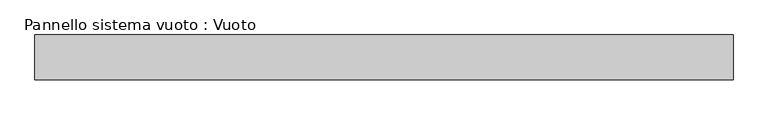
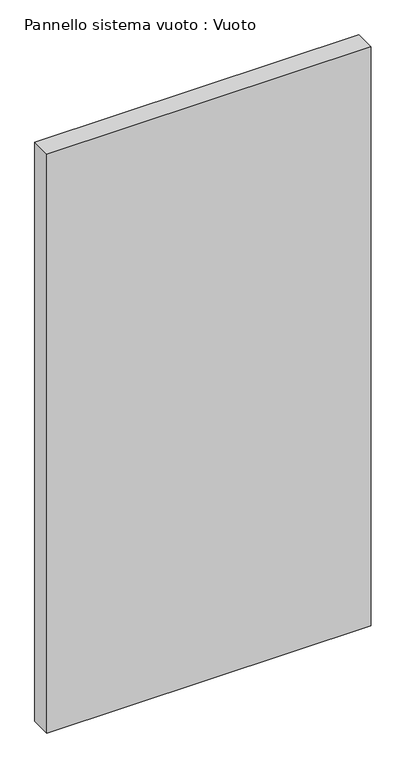
"""IFC4 building model written with IfcOpenShell, lengths in millimetres: plate geometry, Pannello sistema vuoto : Vuoto."""

from ifc_helpers import new_model, si_unit, origin, origin_with_axes, place, context, project, spatial, polyline, outline, extrude, source, transform, mapped, element, save


def pannello_sistema_vuoto_vuoto_03350b21(model_context):
    return source(origin(), model_context, "Body", "SweptSolid", [
        extrude(outline(polyline([(780.0, 50.0), (-780.0, 50.0), (-780.0, 150.0), (780.0, 150.0), (780.0, 50.0)])), origin_with_axes(), (0.0, 0.0, 1.0), 2943.6046213),
    ])


if __name__ == "__main__":
    model = new_model("IFC4")
    model_context = context("Model", 3, world=origin())
    ifc_project = project(units=[si_unit("LENGTHUNIT", "METRE", prefix="MILLI")], contexts=[model_context])
    site = spatial("IfcSite", under=ifc_project)
    building = spatial("IfcBuilding", under=site)
    placement = place(None, origin())
    pannello_sistema_vuoto_vuoto_shape = pannello_sistema_vuoto_vuoto_03350b21(model_context)
    element("IfcPlate", 1, ObjectType="Pannello sistema vuoto : Vuoto", at=placement, inside=building, context=model_context, shape_type="MappedRepresentation", body=[
        mapped(pannello_sistema_vuoto_vuoto_shape, transform((0.0, 0.0, 0.0), x_axis=(1.0, 0.0, 0.0), y_axis=(0.0, 1.0, 0.0), z_axis=(0.0, 0.0, 1.0))),
    ])
    save(model, "model.ifc")
